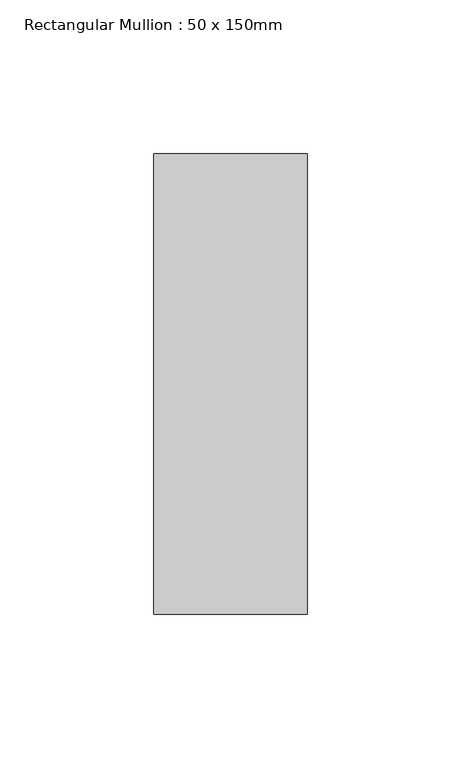
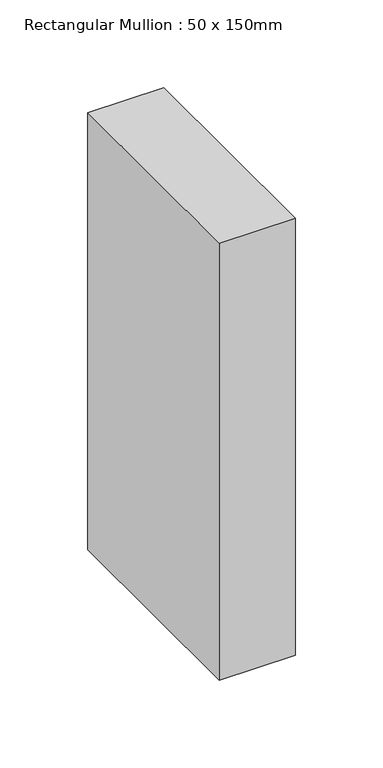
"""IFC4 building model written with IfcOpenShell, lengths in millimetres: member geometry, Rectangular Mullion : 50 x 150mm."""

import ifcopenshell
import ifcopenshell.guid

model = None  # the IFC model being written
_history = None  # IfcOwnerHistory: only IFC2X3 demands one
_inside = {}  # id of a spatial element -> (the spatial element, [elements in it])
_under = {}  # id of a project, library or spatial element -> (it, [spatial elements below it])
_declared = {}  # id of a project -> (the project, [libraries it declares])
_typed = {}  # id of a type object -> (the type object, [elements of that type])
_made_of = {}  # id of a material, layer set ... -> (it, [elements and type objects made of it])


def new_model(schema):
    """Start an empty IFC model of exactly this schema.

    Asked for "IFC4X3", IfcOpenShell would pick the latest addendum, in which some entities
    have other attributes; the version numbers below select the first issue.
    IFC2X3 requires an IfcOwnerHistory on every rooted entity: one is made here for all.
    """
    global model, _history
    if schema == "IFC4X3":
        model = ifcopenshell.file(schema_version=(4, 3, 0, 0))
    else:
        model = ifcopenshell.file(schema=schema)
    _inside.clear()
    _under.clear()
    _declared.clear()
    _typed.clear()
    _made_of.clear()
    _history = None
    if model.schema == "IFC2X3":
        org = make("IfcOrganization", Name="unknown")
        user = make(
            "IfcPersonAndOrganization",
            ThePerson=make("IfcPerson", FamilyName="unknown"),
            TheOrganization=org,
        )
        app = make(
            "IfcApplication",
            ApplicationDeveloper=org,
            Version="unknown",
            ApplicationFullName="unknown",
            ApplicationIdentifier="unknown",
        )
        _history = make(
            "IfcOwnerHistory",
            OwningUser=user,
            OwningApplication=app,
            ChangeAction="ADDED",
            CreationDate=0,
        )
    return model


def make(cls, **values):
    """One entity of the class cls with the attributes given. An attribute that is None is left unset."""
    return model.create_entity(
        cls, **{name: value for name, value in values.items() if value is not None}
    )


def rooted(cls, **values):
    """An entity with a GlobalId (a new one), such as an element, a storey or a relation."""
    return make(cls, GlobalId=ifcopenshell.guid.new(), OwnerHistory=_history, **values)


def si_unit(unit_type, name, prefix=None):
    """IfcSIUnit, for example si_unit("LENGTHUNIT", "METRE", prefix="MILLI")."""
    return make("IfcSIUnit", UnitType=unit_type, Prefix=prefix, Name=name)


def assignment(units):
    """IfcUnitAssignment: the units of a project."""
    return None if units is None else make("IfcUnitAssignment", Units=units)


def point(xyz):
    """IfcCartesianPoint."""
    return None if xyz is None else make("IfcCartesianPoint", Coordinates=xyz)


def direction(xyz):
    """IfcDirection."""
    return None if xyz is None else make("IfcDirection", DirectionRatios=xyz)


def frame(location, z_axis=None, x_axis=None):
    """IfcAxis2Placement3D, a coordinate frame: its origin and axes. An axis left out is left unset."""
    return make(
        "IfcAxis2Placement3D",
        Location=point(location),
        Axis=direction(z_axis),
        RefDirection=direction(x_axis),
    )


def origin():
    """The frame at (0, 0, 0) with its axes left unset."""
    return frame((0.0, 0.0, 0.0))


def place(relative_to, where):
    """IfcLocalPlacement: puts the frame where relative to a parent placement (None: the world)."""
    return make(
        "IfcLocalPlacement", PlacementRelTo=relative_to, RelativePlacement=where
    )


def context(
    kind, dimensions, precision=None, world=None, true_north=None, identifier=None
):
    """IfcGeometricRepresentationContext, for example the 3D "Model" context."""
    return make(
        "IfcGeometricRepresentationContext",
        ContextIdentifier=identifier,
        ContextType=kind,
        CoordinateSpaceDimension=dimensions,
        Precision=precision,
        WorldCoordinateSystem=world,
        TrueNorth=true_north,
    )


def project(units=None, contexts=None):
    """IfcProject with its units and contexts."""
    return rooted(
        "IfcProject",
        Name="project",
        RepresentationContexts=contexts,
        UnitsInContext=assignment(units),
    )


def spatial(cls, under=None, at=None, **own):
    """A site, building, storey or space (cls), placed at a placement, below another one or the project."""
    s = rooted(cls, ObjectPlacement=at, **own)
    if under is not None:
        _under.setdefault(under.id(), (under, []))[1].append(s)
    return s


def polyline(points):
    """IfcPolyline through the points."""
    return make("IfcPolyline", Points=[point(p) for p in points])


def outline(outer, holes=None, kind="AREA"):
    """IfcArbitraryClosedProfileDef: a profile drawn as a closed curve; with holes, ...WithVoids."""
    if holes is None:
        return make("IfcArbitraryClosedProfileDef", ProfileType=kind, OuterCurve=outer)
    return make(
        "IfcArbitraryProfileDefWithVoids",
        ProfileType=kind,
        OuterCurve=outer,
        InnerCurves=holes,
    )


def extrude(swept, where, along, depth):
    """IfcExtrudedAreaSolid: the profile swept, set in the frame where, extruded along a direction by depth."""
    return make(
        "IfcExtrudedAreaSolid",
        SweptArea=swept,
        Position=where,
        ExtrudedDirection=direction(along),
        Depth=depth,
    )


def shape(context_of_items, identifier, shape_type, items):
    """IfcShapeRepresentation: the items that make up one representation, for example the "Body"."""
    return make(
        "IfcShapeRepresentation",
        ContextOfItems=context_of_items,
        RepresentationIdentifier=identifier,
        RepresentationType=shape_type,
        Items=items,
    )


def source(mapping_origin, context_of_items, identifier, shape_type, items):
    """IfcRepresentationMap: a shape defined once, which mapped items show again and again."""
    return make(
        "IfcRepresentationMap",
        MappingOrigin=mapping_origin,
        MappedRepresentation=shape(context_of_items, identifier, shape_type, items),
    )


def transform(
    local_origin,
    x_axis=None,
    y_axis=None,
    z_axis=None,
    scale=None,
    scale2=None,
    scale3=None,
    uniform=True,
):
    """IfcCartesianTransformationOperator3D, or its non-uniform kind. x_axis, y_axis, z_axis: its Axis1, 2, 3."""
    if uniform:
        return make(
            "IfcCartesianTransformationOperator3D",
            Axis1=direction(x_axis),
            Axis2=direction(y_axis),
            LocalOrigin=point(local_origin),
            Scale=scale,
            Axis3=direction(z_axis),
        )
    return make(
        "IfcCartesianTransformationOperator3DnonUniform",
        Axis1=direction(x_axis),
        Axis2=direction(y_axis),
        LocalOrigin=point(local_origin),
        Scale=scale,
        Axis3=direction(z_axis),
        Scale2=scale2,
        Scale3=scale3,
    )


def mapped(mapping_source, mapping_target):
    """IfcMappedItem: shows the shape of a source again, moved by a transform."""
    return make(
        "IfcMappedItem", MappingSource=mapping_source, MappingTarget=mapping_target
    )


def made_of(thing, what):
    """Note that an element or type object is made of a material, layer set ...; save() writes the relation."""
    if what is not None:
        _made_of.setdefault(what.id(), (what, []))[1].append(thing)
    return thing


def element(
    cls,
    number,
    at=None,
    inside=None,
    cuts=None,
    type_object=None,
    material=None,
    context=None,
    identifier="Body",
    shape_type=None,
    held_by="IfcProductDefinitionShape",
    body=None,
    shapes=None,
    **own,
):
    """One element of the class cls, such as IfcWall. Its Tag is "e" and its number.

    at: its placement. inside: the storey or other place that contains it. cuts: it is an
    opening in that element (IfcRelVoidsElement). A single representation is given by context,
    identifier, shape_type and body (its items); several are given by shapes. held_by: the class
    of the entity that holds the representations. save() writes the other relations.
    """
    e = rooted(cls, Tag="e%d" % number, ObjectPlacement=at, **own)
    if body is not None:
        shapes = [shape(context, identifier, shape_type, body)]
    if shapes is not None:
        e.Representation = make(held_by, Representations=shapes)
    if inside is not None:
        _inside.setdefault(inside.id(), (inside, []))[1].append(e)
    if cuts is not None:
        rooted(
            "IfcRelVoidsElement", RelatingBuildingElement=cuts, RelatedOpeningElement=e
        )
    if type_object is not None:
        _typed.setdefault(type_object.id(), (type_object, []))[1].append(e)
    return made_of(e, material)


def aggregate(whole, parts):
    """IfcRelAggregates: a whole, such as a stair, and the parts it consists of."""
    return rooted("IfcRelAggregates", RelatingObject=whole, RelatedObjects=parts)


def save(model, path):
    """Write the relations noted so far, then the file.

    IfcRelAggregates (storeys below a building ...), IfcRelContainedInSpatialStructure (elements
    in a storey), IfcRelDefinesByType, IfcRelAssociatesMaterial and IfcRelDeclares: one each for
    every whole, place, type object, material and project.
    """
    for whole, parts in _under.values():
        aggregate(whole, parts)
    for where, things in _inside.values():
        rooted(
            "IfcRelContainedInSpatialStructure",
            RelatedElements=things,
            RelatingStructure=where,
        )
    for kind, things in _typed.values():
        rooted("IfcRelDefinesByType", RelatedObjects=things, RelatingType=kind)
    for what, things in _made_of.values():
        rooted("IfcRelAssociatesMaterial", RelatedObjects=things, RelatingMaterial=what)
    for by, libraries in _declared.values():
        rooted("IfcRelDeclares", RelatingContext=by, RelatedDefinitions=libraries)
    model.write(path)


def rectangular_mullion_50_x_150mm_a246c589(model_context):
    return source(origin(), model_context, "Body", "SweptSolid", [
        extrude(outline(polyline([(25.0, 75.0), (25.0, -75.0), (-25.0, -75.0), (-25.0, 75.0), (25.0, 75.0)])), frame((0.0, 0.0, -304.2459602), z_axis=(0.0, 0.0, 1.0), x_axis=(1.0, 0.0, 0.0)), (0.0, 0.0, 1.0), 304.2459602),
    ])


if __name__ == "__main__":
    model = new_model("IFC4")
    model_context = context("Model", 3, world=origin())
    ifc_project = project(units=[si_unit("LENGTHUNIT", "METRE", prefix="MILLI")], contexts=[model_context])
    site = spatial("IfcSite", under=ifc_project)
    building = spatial("IfcBuilding", under=site)
    placement = place(None, origin())
    rectangular_mullion_50_x_150mm_shape = rectangular_mullion_50_x_150mm_a246c589(model_context)
    element("IfcMember", 1, ObjectType="Rectangular Mullion : 50 x 150mm", at=placement, inside=building, context=model_context, shape_type="MappedRepresentation", body=[
        mapped(rectangular_mullion_50_x_150mm_shape, transform((0.0, 0.0, 0.0), x_axis=(1.0, 0.0, 0.0), y_axis=(0.0, 1.0, 0.0), z_axis=(0.0, 0.0, 1.0))),
    ])
    save(model, "model.ifc")
